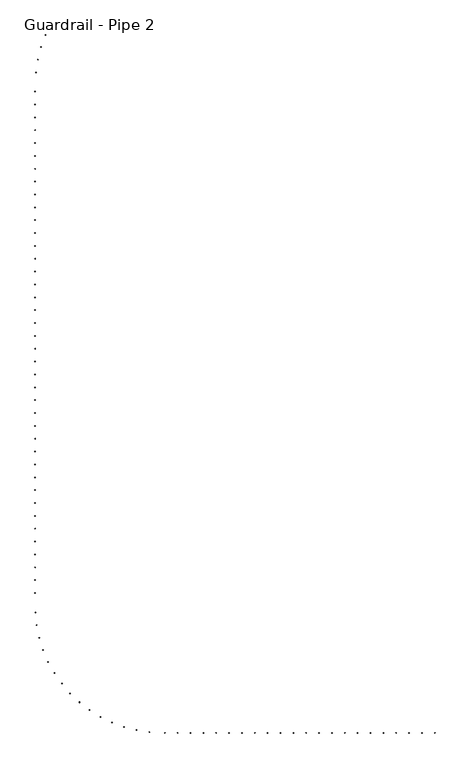
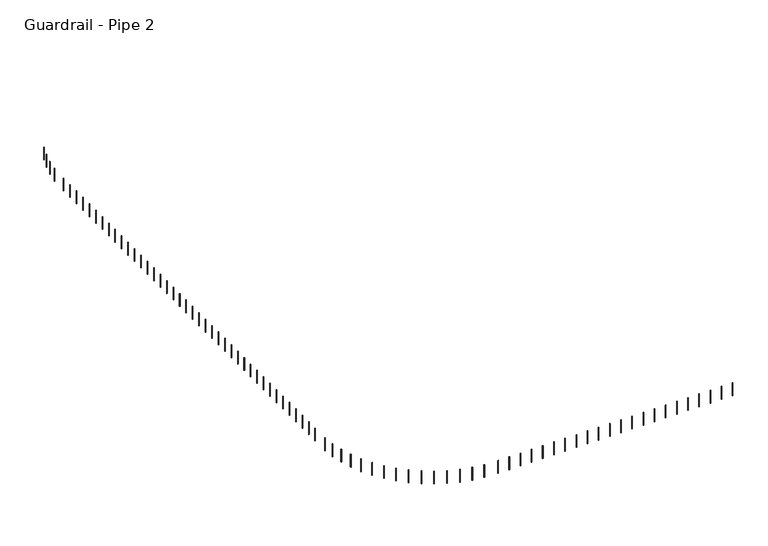
"""IFC4 building model written with IfcOpenShell, lengths in millimetres: railing geometry, Guardrail - Pipe 2."""

from ifc_helpers import new_model, si_unit, point, frame, frame_2d, origin, place, context, project, spatial, circle_curve, trimmed, segment, composite_curve, outline, extrude, source, transform, mapped, element, save


def guardrail_pipe_2_284b79c6(model_context):
    return source(origin(), model_context, "Body", "SweptSolid", [
        extrude(outline(composite_curve([segment(trimmed(circle_curve(frame_2d((198593.1901087, -486197.5437154)), 12.7), [point((198581.517825, -486192.5389384))], [point((198604.8623924, -486202.5484924))], False, "CARTESIAN"), True, "CONTINUOUS"), segment(trimmed(circle_curve(frame_2d((198593.1901087, -486197.5437154)), 12.7), [point((198604.8623924, -486202.5484924))], [point((198581.517825, -486192.5389384))], False, "CARTESIAN"), True, "CONTINUOUS")], self_intersect=False)), frame((0.0, 0.0, 4572.0), z_axis=(0.0, 0.0, 1.0), x_axis=(1.0, 0.0, 0.0)), (0.0, 0.0, 1.0), 723.9),
        extrude(outline(composite_curve([segment(trimmed(circle_curve(frame_2d((198381.7150318, -486769.0093697)), 12.7), [point((198369.5965981, -486765.2102164))], [point((198393.8334654, -486772.808523))], False, "CARTESIAN"), True, "CONTINUOUS"), segment(trimmed(circle_curve(frame_2d((198381.7150318, -486769.0093697)), 12.7), [point((198393.8334654, -486772.808523))], [point((198369.5965981, -486765.2102164))], False, "CARTESIAN"), True, "CONTINUOUS")], self_intersect=False)), frame((0.0, 0.0, 4572.0), z_axis=(0.0, 0.0, 1.0), x_axis=(1.0, 0.0, 0.0)), (0.0, 0.0, 1.0), 723.9),
        extrude(outline(composite_curve([segment(trimmed(circle_curve(frame_2d((198229.0944256, -487358.9260187)), 12.7), [point((198216.6540075, -487356.3714153))], [point((198241.5348437, -487361.4806221))], False, "CARTESIAN"), True, "CONTINUOUS"), segment(trimmed(circle_curve(frame_2d((198229.0944256, -487358.9260187)), 12.7), [point((198241.5348437, -487361.4806221))], [point((198216.6540075, -487356.3714153))], False, "CARTESIAN"), True, "CONTINUOUS")], self_intersect=False)), frame((0.0, 0.0, 4572.0), z_axis=(0.0, 0.0, 1.0), x_axis=(1.0, 0.0, 0.0)), (0.0, 0.0, 1.0), 723.9),
        extrude(outline(composite_curve([segment(trimmed(circle_curve(frame_2d((198136.8920419, -487961.2493726)), 12.7), [point((198124.2571041, -487959.9654936))], [point((198149.5269798, -487962.5332516))], False, "CARTESIAN"), True, "CONTINUOUS"), segment(trimmed(circle_curve(frame_2d((198136.8920419, -487961.2493726)), 12.7), [point((198149.5269798, -487962.5332516))], [point((198124.2571041, -487959.9654936))], False, "CARTESIAN"), True, "CONTINUOUS")], self_intersect=False)), frame((0.0, 0.0, 4572.0), z_axis=(0.0, 0.0, 1.0), x_axis=(1.0, 0.0, 0.0)), (0.0, 0.0, 1.0), 723.9),
        extrude(outline(composite_curve([segment(trimmed(circle_curve(frame_2d((198106.0525869, -488874.6080223)), 12.7), [point((198093.3525869, -488874.6080223))], [point((198118.7525869, -488874.6080223))], False, "CARTESIAN"), True, "CONTINUOUS"), segment(trimmed(circle_curve(frame_2d((198106.0525869, -488874.6080223)), 12.7), [point((198118.7525869, -488874.6080223))], [point((198093.3525869, -488874.6080223))], False, "CARTESIAN"), True, "CONTINUOUS")], self_intersect=False)), frame((0.0, 0.0, 4572.0), z_axis=(0.0, 0.0, 1.0), x_axis=(1.0, 0.0, 0.0)), (0.0, 0.0, 1.0), 723.9),
        extrude(outline(composite_curve([segment(trimmed(circle_curve(frame_2d((198106.0525869, -489484.2080223)), 12.7), [point((198093.3525869, -489484.2080223))], [point((198118.7525869, -489484.2080223))], False, "CARTESIAN"), True, "CONTINUOUS"), segment(trimmed(circle_curve(frame_2d((198106.0525869, -489484.2080223)), 12.7), [point((198118.7525869, -489484.2080223))], [point((198093.3525869, -489484.2080223))], False, "CARTESIAN"), True, "CONTINUOUS")], self_intersect=False)), frame((0.0, 0.0, 4572.0), z_axis=(0.0, 0.0, 1.0), x_axis=(1.0, 0.0, 0.0)), (0.0, 0.0, 1.0), 723.9),
        extrude(outline(composite_curve([segment(trimmed(circle_curve(frame_2d((198106.0525869, -490093.8080223)), 12.7), [point((198093.3525869, -490093.8080223))], [point((198118.7525869, -490093.8080223))], False, "CARTESIAN"), True, "CONTINUOUS"), segment(trimmed(circle_curve(frame_2d((198106.0525869, -490093.8080223)), 12.7), [point((198118.7525869, -490093.8080223))], [point((198093.3525869, -490093.8080223))], False, "CARTESIAN"), True, "CONTINUOUS")], self_intersect=False)), frame((0.0, 0.0, 4572.0), z_axis=(0.0, 0.0, 1.0), x_axis=(1.0, 0.0, 0.0)), (0.0, 0.0, 1.0), 723.9),
        extrude(outline(composite_curve([segment(trimmed(circle_curve(frame_2d((198106.0525869, -490703.4080223)), 12.7), [point((198093.3525869, -490703.4080223))], [point((198118.7525869, -490703.4080223))], False, "CARTESIAN"), True, "CONTINUOUS"), segment(trimmed(circle_curve(frame_2d((198106.0525869, -490703.4080223)), 12.7), [point((198118.7525869, -490703.4080223))], [point((198093.3525869, -490703.4080223))], False, "CARTESIAN"), True, "CONTINUOUS")], self_intersect=False)), frame((0.0, 0.0, 4572.0), z_axis=(0.0, 0.0, 1.0), x_axis=(1.0, 0.0, 0.0)), (0.0, 0.0, 1.0), 723.9),
        extrude(outline(composite_curve([segment(trimmed(circle_curve(frame_2d((198106.0525869, -491313.0080223)), 12.7), [point((198093.3525869, -491313.0080223))], [point((198118.7525869, -491313.0080223))], False, "CARTESIAN"), True, "CONTINUOUS"), segment(trimmed(circle_curve(frame_2d((198106.0525869, -491313.0080223)), 12.7), [point((198118.7525869, -491313.0080223))], [point((198093.3525869, -491313.0080223))], False, "CARTESIAN"), True, "CONTINUOUS")], self_intersect=False)), frame((0.0, 0.0, 4572.0), z_axis=(0.0, 0.0, 1.0), x_axis=(1.0, 0.0, 0.0)), (0.0, 0.0, 1.0), 723.9),
        extrude(outline(composite_curve([segment(trimmed(circle_curve(frame_2d((198106.0525869, -491922.6080223)), 12.7), [point((198093.3525869, -491922.6080223))], [point((198118.7525869, -491922.6080223))], False, "CARTESIAN"), True, "CONTINUOUS"), segment(trimmed(circle_curve(frame_2d((198106.0525869, -491922.6080223)), 12.7), [point((198118.7525869, -491922.6080223))], [point((198093.3525869, -491922.6080223))], False, "CARTESIAN"), True, "CONTINUOUS")], self_intersect=False)), frame((0.0, 0.0, 4572.0), z_axis=(0.0, 0.0, 1.0), x_axis=(1.0, 0.0, 0.0)), (0.0, 0.0, 1.0), 723.9),
        extrude(outline(composite_curve([segment(trimmed(circle_curve(frame_2d((198106.0525869, -492532.2080223)), 12.7), [point((198093.3525869, -492532.2080223))], [point((198118.7525869, -492532.2080223))], False, "CARTESIAN"), True, "CONTINUOUS"), segment(trimmed(circle_curve(frame_2d((198106.0525869, -492532.2080223)), 12.7), [point((198118.7525869, -492532.2080223))], [point((198093.3525869, -492532.2080223))], False, "CARTESIAN"), True, "CONTINUOUS")], self_intersect=False)), frame((0.0, 0.0, 4572.0), z_axis=(0.0, 0.0, 1.0), x_axis=(1.0, 0.0, 0.0)), (0.0, 0.0, 1.0), 723.9),
        extrude(outline(composite_curve([segment(trimmed(circle_curve(frame_2d((198106.0525869, -493141.8080223)), 12.7), [point((198093.3525869, -493141.8080223))], [point((198118.7525869, -493141.8080223))], False, "CARTESIAN"), True, "CONTINUOUS"), segment(trimmed(circle_curve(frame_2d((198106.0525869, -493141.8080223)), 12.7), [point((198118.7525869, -493141.8080223))], [point((198093.3525869, -493141.8080223))], False, "CARTESIAN"), True, "CONTINUOUS")], self_intersect=False)), frame((0.0, 0.0, 4572.0), z_axis=(0.0, 0.0, 1.0), x_axis=(1.0, 0.0, 0.0)), (0.0, 0.0, 1.0), 723.9),
        extrude(outline(composite_curve([segment(trimmed(circle_curve(frame_2d((198106.0525869, -493751.4080223)), 12.7), [point((198093.3525869, -493751.4080223))], [point((198118.7525869, -493751.4080223))], False, "CARTESIAN"), True, "CONTINUOUS"), segment(trimmed(circle_curve(frame_2d((198106.0525869, -493751.4080223)), 12.7), [point((198118.7525869, -493751.4080223))], [point((198093.3525869, -493751.4080223))], False, "CARTESIAN"), True, "CONTINUOUS")], self_intersect=False)), frame((0.0, 0.0, 4572.0), z_axis=(0.0, 0.0, 1.0), x_axis=(1.0, 0.0, 0.0)), (0.0, 0.0, 1.0), 723.9),
        extrude(outline(composite_curve([segment(trimmed(circle_curve(frame_2d((198106.0525869, -494361.0080223)), 12.7), [point((198093.3525869, -494361.0080223))], [point((198118.7525869, -494361.0080223))], False, "CARTESIAN"), True, "CONTINUOUS"), segment(trimmed(circle_curve(frame_2d((198106.0525869, -494361.0080223)), 12.7), [point((198118.7525869, -494361.0080223))], [point((198093.3525869, -494361.0080223))], False, "CARTESIAN"), True, "CONTINUOUS")], self_intersect=False)), frame((0.0, 0.0, 4572.0), z_axis=(0.0, 0.0, 1.0), x_axis=(1.0, 0.0, 0.0)), (0.0, 0.0, 1.0), 723.9),
        extrude(outline(composite_curve([segment(trimmed(circle_curve(frame_2d((198106.0525869, -494970.6080223)), 12.7), [point((198093.3525869, -494970.6080223))], [point((198118.7525869, -494970.6080223))], False, "CARTESIAN"), True, "CONTINUOUS"), segment(trimmed(circle_curve(frame_2d((198106.0525869, -494970.6080223)), 12.7), [point((198118.7525869, -494970.6080223))], [point((198093.3525869, -494970.6080223))], False, "CARTESIAN"), True, "CONTINUOUS")], self_intersect=False)), frame((0.0, 0.0, 4572.0), z_axis=(0.0, 0.0, 1.0), x_axis=(1.0, 0.0, 0.0)), (0.0, 0.0, 1.0), 723.9),
        extrude(outline(composite_curve([segment(trimmed(circle_curve(frame_2d((198106.0525869, -495580.2080223)), 12.7), [point((198093.3525869, -495580.2080223))], [point((198118.7525869, -495580.2080223))], False, "CARTESIAN"), True, "CONTINUOUS"), segment(trimmed(circle_curve(frame_2d((198106.0525869, -495580.2080223)), 12.7), [point((198118.7525869, -495580.2080223))], [point((198093.3525869, -495580.2080223))], False, "CARTESIAN"), True, "CONTINUOUS")], self_intersect=False)), frame((0.0, 0.0, 4572.0), z_axis=(0.0, 0.0, 1.0), x_axis=(1.0, 0.0, 0.0)), (0.0, 0.0, 1.0), 723.9),
        extrude(outline(composite_curve([segment(trimmed(circle_curve(frame_2d((198106.0525869, -496189.8080223)), 12.7), [point((198093.3525869, -496189.8080223))], [point((198118.7525869, -496189.8080223))], False, "CARTESIAN"), True, "CONTINUOUS"), segment(trimmed(circle_curve(frame_2d((198106.0525869, -496189.8080223)), 12.7), [point((198118.7525869, -496189.8080223))], [point((198093.3525869, -496189.8080223))], False, "CARTESIAN"), True, "CONTINUOUS")], self_intersect=False)), frame((0.0, 0.0, 4572.0), z_axis=(0.0, 0.0, 1.0), x_axis=(1.0, 0.0, 0.0)), (0.0, 0.0, 1.0), 723.9),
        extrude(outline(composite_curve([segment(trimmed(circle_curve(frame_2d((198106.0525869, -496799.4080223)), 12.7), [point((198093.3525869, -496799.4080223))], [point((198118.7525869, -496799.4080223))], False, "CARTESIAN"), True, "CONTINUOUS"), segment(trimmed(circle_curve(frame_2d((198106.0525869, -496799.4080223)), 12.7), [point((198118.7525869, -496799.4080223))], [point((198093.3525869, -496799.4080223))], False, "CARTESIAN"), True, "CONTINUOUS")], self_intersect=False)), frame((0.0, 0.0, 4572.0), z_axis=(0.0, 0.0, 1.0), x_axis=(1.0, 0.0, 0.0)), (0.0, 0.0, 1.0), 723.9),
        extrude(outline(composite_curve([segment(trimmed(circle_curve(frame_2d((198106.0525869, -497409.0080223)), 12.7), [point((198093.3525869, -497409.0080223))], [point((198118.7525869, -497409.0080223))], False, "CARTESIAN"), True, "CONTINUOUS"), segment(trimmed(circle_curve(frame_2d((198106.0525869, -497409.0080223)), 12.7), [point((198118.7525869, -497409.0080223))], [point((198093.3525869, -497409.0080223))], False, "CARTESIAN"), True, "CONTINUOUS")], self_intersect=False)), frame((0.0, 0.0, 4572.0), z_axis=(0.0, 0.0, 1.0), x_axis=(1.0, 0.0, 0.0)), (0.0, 0.0, 1.0), 723.9),
        extrude(outline(composite_curve([segment(trimmed(circle_curve(frame_2d((198106.0525869, -498018.6080223)), 12.7), [point((198093.3525869, -498018.6080223))], [point((198118.7525869, -498018.6080223))], False, "CARTESIAN"), True, "CONTINUOUS"), segment(trimmed(circle_curve(frame_2d((198106.0525869, -498018.6080223)), 12.7), [point((198118.7525869, -498018.6080223))], [point((198093.3525869, -498018.6080223))], False, "CARTESIAN"), True, "CONTINUOUS")], self_intersect=False)), frame((0.0, 0.0, 4572.0), z_axis=(0.0, 0.0, 1.0), x_axis=(1.0, 0.0, 0.0)), (0.0, 0.0, 1.0), 723.9),
        extrude(outline(composite_curve([segment(trimmed(circle_curve(frame_2d((198106.0525869, -498628.2080223)), 12.7), [point((198093.3525869, -498628.2080223))], [point((198118.7525869, -498628.2080223))], False, "CARTESIAN"), True, "CONTINUOUS"), segment(trimmed(circle_curve(frame_2d((198106.0525869, -498628.2080223)), 12.7), [point((198118.7525869, -498628.2080223))], [point((198093.3525869, -498628.2080223))], False, "CARTESIAN"), True, "CONTINUOUS")], self_intersect=False)), frame((0.0, 0.0, 4572.0), z_axis=(0.0, 0.0, 1.0), x_axis=(1.0, 0.0, 0.0)), (0.0, 0.0, 1.0), 723.9),
        extrude(outline(composite_curve([segment(trimmed(circle_curve(frame_2d((198106.0525869, -499237.8080223)), 12.7), [point((198093.3525869, -499237.8080223))], [point((198118.7525869, -499237.8080223))], False, "CARTESIAN"), True, "CONTINUOUS"), segment(trimmed(circle_curve(frame_2d((198106.0525869, -499237.8080223)), 12.7), [point((198118.7525869, -499237.8080223))], [point((198093.3525869, -499237.8080223))], False, "CARTESIAN"), True, "CONTINUOUS")], self_intersect=False)), frame((0.0, 0.0, 4572.0), z_axis=(0.0, 0.0, 1.0), x_axis=(1.0, 0.0, 0.0)), (0.0, 0.0, 1.0), 723.9),
        extrude(outline(composite_curve([segment(trimmed(circle_curve(frame_2d((198106.0525869, -499847.4080223)), 12.7), [point((198093.3525869, -499847.4080223))], [point((198118.7525869, -499847.4080223))], False, "CARTESIAN"), True, "CONTINUOUS"), segment(trimmed(circle_curve(frame_2d((198106.0525869, -499847.4080223)), 12.7), [point((198118.7525869, -499847.4080223))], [point((198093.3525869, -499847.4080223))], False, "CARTESIAN"), True, "CONTINUOUS")], self_intersect=False)), frame((0.0, 0.0, 4572.0), z_axis=(0.0, 0.0, 1.0), x_axis=(1.0, 0.0, 0.0)), (0.0, 0.0, 1.0), 723.9),
        extrude(outline(composite_curve([segment(trimmed(circle_curve(frame_2d((198106.0525869, -500457.0080223)), 12.7), [point((198093.3525869, -500457.0080223))], [point((198118.7525869, -500457.0080223))], False, "CARTESIAN"), True, "CONTINUOUS"), segment(trimmed(circle_curve(frame_2d((198106.0525869, -500457.0080223)), 12.7), [point((198118.7525869, -500457.0080223))], [point((198093.3525869, -500457.0080223))], False, "CARTESIAN"), True, "CONTINUOUS")], self_intersect=False)), frame((0.0, 0.0, 4572.0), z_axis=(0.0, 0.0, 1.0), x_axis=(1.0, 0.0, 0.0)), (0.0, 0.0, 1.0), 723.9),
        extrude(outline(composite_curve([segment(trimmed(circle_curve(frame_2d((198106.0525869, -501066.6080223)), 12.7), [point((198093.3525869, -501066.6080223))], [point((198118.7525869, -501066.6080223))], False, "CARTESIAN"), True, "CONTINUOUS"), segment(trimmed(circle_curve(frame_2d((198106.0525869, -501066.6080223)), 12.7), [point((198118.7525869, -501066.6080223))], [point((198093.3525869, -501066.6080223))], False, "CARTESIAN"), True, "CONTINUOUS")], self_intersect=False)), frame((0.0, 0.0, 4572.0), z_axis=(0.0, 0.0, 1.0), x_axis=(1.0, 0.0, 0.0)), (0.0, 0.0, 1.0), 723.9),
        extrude(outline(composite_curve([segment(trimmed(circle_curve(frame_2d((198106.0525869, -501676.2080223)), 12.7), [point((198093.3525869, -501676.2080223))], [point((198118.7525869, -501676.2080223))], False, "CARTESIAN"), True, "CONTINUOUS"), segment(trimmed(circle_curve(frame_2d((198106.0525869, -501676.2080223)), 12.7), [point((198118.7525869, -501676.2080223))], [point((198093.3525869, -501676.2080223))], False, "CARTESIAN"), True, "CONTINUOUS")], self_intersect=False)), frame((0.0, 0.0, 4572.0), z_axis=(0.0, 0.0, 1.0), x_axis=(1.0, 0.0, 0.0)), (0.0, 0.0, 1.0), 723.9),
        extrude(outline(composite_curve([segment(trimmed(circle_curve(frame_2d((198106.0525869, -502285.8080223)), 12.7), [point((198093.3525869, -502285.8080223))], [point((198118.7525869, -502285.8080223))], False, "CARTESIAN"), True, "CONTINUOUS"), segment(trimmed(circle_curve(frame_2d((198106.0525869, -502285.8080223)), 12.7), [point((198118.7525869, -502285.8080223))], [point((198093.3525869, -502285.8080223))], False, "CARTESIAN"), True, "CONTINUOUS")], self_intersect=False)), frame((0.0, 0.0, 4572.0), z_axis=(0.0, 0.0, 1.0), x_axis=(1.0, 0.0, 0.0)), (0.0, 0.0, 1.0), 723.9),
        extrude(outline(composite_curve([segment(trimmed(circle_curve(frame_2d((198106.0525869, -502895.4080223)), 12.7), [point((198093.3525869, -502895.4080223))], [point((198118.7525869, -502895.4080223))], False, "CARTESIAN"), True, "CONTINUOUS"), segment(trimmed(circle_curve(frame_2d((198106.0525869, -502895.4080223)), 12.7), [point((198118.7525869, -502895.4080223))], [point((198093.3525869, -502895.4080223))], False, "CARTESIAN"), True, "CONTINUOUS")], self_intersect=False)), frame((0.0, 0.0, 4572.0), z_axis=(0.0, 0.0, 1.0), x_axis=(1.0, 0.0, 0.0)), (0.0, 0.0, 1.0), 723.9),
        extrude(outline(composite_curve([segment(trimmed(circle_curve(frame_2d((198106.0525869, -503505.0080223)), 12.7), [point((198093.3525869, -503505.0080223))], [point((198118.7525869, -503505.0080223))], False, "CARTESIAN"), True, "CONTINUOUS"), segment(trimmed(circle_curve(frame_2d((198106.0525869, -503505.0080223)), 12.7), [point((198118.7525869, -503505.0080223))], [point((198093.3525869, -503505.0080223))], False, "CARTESIAN"), True, "CONTINUOUS")], self_intersect=False)), frame((0.0, 0.0, 4572.0), z_axis=(0.0, 0.0, 1.0), x_axis=(1.0, 0.0, 0.0)), (0.0, 0.0, 1.0), 723.9),
        extrude(outline(composite_curve([segment(trimmed(circle_curve(frame_2d((198106.0525869, -504114.6080223)), 12.7), [point((198093.3525869, -504114.6080223))], [point((198118.7525869, -504114.6080223))], False, "CARTESIAN"), True, "CONTINUOUS"), segment(trimmed(circle_curve(frame_2d((198106.0525869, -504114.6080223)), 12.7), [point((198118.7525869, -504114.6080223))], [point((198093.3525869, -504114.6080223))], False, "CARTESIAN"), True, "CONTINUOUS")], self_intersect=False)), frame((0.0, 0.0, 4572.0), z_axis=(0.0, 0.0, 1.0), x_axis=(1.0, 0.0, 0.0)), (0.0, 0.0, 1.0), 723.9),
        extrude(outline(composite_curve([segment(trimmed(circle_curve(frame_2d((198106.0525869, -504724.2080223)), 12.7), [point((198093.3525869, -504724.2080223))], [point((198118.7525869, -504724.2080223))], False, "CARTESIAN"), True, "CONTINUOUS"), segment(trimmed(circle_curve(frame_2d((198106.0525869, -504724.2080223)), 12.7), [point((198118.7525869, -504724.2080223))], [point((198093.3525869, -504724.2080223))], False, "CARTESIAN"), True, "CONTINUOUS")], self_intersect=False)), frame((0.0, 0.0, 4572.0), z_axis=(0.0, 0.0, 1.0), x_axis=(1.0, 0.0, 0.0)), (0.0, 0.0, 1.0), 723.9),
        extrude(outline(composite_curve([segment(trimmed(circle_curve(frame_2d((198106.0525869, -505333.8080223)), 12.7), [point((198093.3525869, -505333.8080223))], [point((198118.7525869, -505333.8080223))], False, "CARTESIAN"), True, "CONTINUOUS"), segment(trimmed(circle_curve(frame_2d((198106.0525869, -505333.8080223)), 12.7), [point((198118.7525869, -505333.8080223))], [point((198093.3525869, -505333.8080223))], False, "CARTESIAN"), True, "CONTINUOUS")], self_intersect=False)), frame((0.0, 0.0, 4572.0), z_axis=(0.0, 0.0, 1.0), x_axis=(1.0, 0.0, 0.0)), (0.0, 0.0, 1.0), 723.9),
        extrude(outline(composite_curve([segment(trimmed(circle_curve(frame_2d((198106.0525869, -505943.4080223)), 12.7), [point((198093.3525869, -505943.4080223))], [point((198118.7525869, -505943.4080223))], False, "CARTESIAN"), True, "CONTINUOUS"), segment(trimmed(circle_curve(frame_2d((198106.0525869, -505943.4080223)), 12.7), [point((198118.7525869, -505943.4080223))], [point((198093.3525869, -505943.4080223))], False, "CARTESIAN"), True, "CONTINUOUS")], self_intersect=False)), frame((0.0, 0.0, 4572.0), z_axis=(0.0, 0.0, 1.0), x_axis=(1.0, 0.0, 0.0)), (0.0, 0.0, 1.0), 723.9),
        extrude(outline(composite_curve([segment(trimmed(circle_curve(frame_2d((198106.0525869, -506553.0080223)), 12.7), [point((198093.3525869, -506553.0080223))], [point((198118.7525869, -506553.0080223))], False, "CARTESIAN"), True, "CONTINUOUS"), segment(trimmed(circle_curve(frame_2d((198106.0525869, -506553.0080223)), 12.7), [point((198118.7525869, -506553.0080223))], [point((198093.3525869, -506553.0080223))], False, "CARTESIAN"), True, "CONTINUOUS")], self_intersect=False)), frame((0.0, 0.0, 4572.0), z_axis=(0.0, 0.0, 1.0), x_axis=(1.0, 0.0, 0.0)), (0.0, 0.0, 1.0), 723.9),
        extrude(outline(composite_curve([segment(trimmed(circle_curve(frame_2d((198106.0525869, -507162.6080223)), 12.7), [point((198093.3525869, -507162.6080223))], [point((198118.7525869, -507162.6080223))], False, "CARTESIAN"), True, "CONTINUOUS"), segment(trimmed(circle_curve(frame_2d((198106.0525869, -507162.6080223)), 12.7), [point((198118.7525869, -507162.6080223))], [point((198093.3525869, -507162.6080223))], False, "CARTESIAN"), True, "CONTINUOUS")], self_intersect=False)), frame((0.0, 0.0, 4572.0), z_axis=(0.0, 0.0, 1.0), x_axis=(1.0, 0.0, 0.0)), (0.0, 0.0, 1.0), 723.9),
        extrude(outline(composite_curve([segment(trimmed(circle_curve(frame_2d((198106.0525869, -507772.2080223)), 12.7), [point((198093.3525869, -507772.2080223))], [point((198118.7525869, -507772.2080223))], False, "CARTESIAN"), True, "CONTINUOUS"), segment(trimmed(circle_curve(frame_2d((198106.0525869, -507772.2080223)), 12.7), [point((198118.7525869, -507772.2080223))], [point((198093.3525869, -507772.2080223))], False, "CARTESIAN"), True, "CONTINUOUS")], self_intersect=False)), frame((0.0, 0.0, 4572.0), z_axis=(0.0, 0.0, 1.0), x_axis=(1.0, 0.0, 0.0)), (0.0, 0.0, 1.0), 723.9),
        extrude(outline(composite_curve([segment(trimmed(circle_curve(frame_2d((198106.0525869, -508381.8080223)), 12.7), [point((198093.3525869, -508381.8080223))], [point((198118.7525869, -508381.8080223))], False, "CARTESIAN"), True, "CONTINUOUS"), segment(trimmed(circle_curve(frame_2d((198106.0525869, -508381.8080223)), 12.7), [point((198118.7525869, -508381.8080223))], [point((198093.3525869, -508381.8080223))], False, "CARTESIAN"), True, "CONTINUOUS")], self_intersect=False)), frame((0.0, 0.0, 4572.0), z_axis=(0.0, 0.0, 1.0), x_axis=(1.0, 0.0, 0.0)), (0.0, 0.0, 1.0), 723.9),
        extrude(outline(composite_curve([segment(trimmed(circle_curve(frame_2d((198106.0525869, -508991.4080223)), 12.7), [point((198093.3525869, -508991.4080223))], [point((198118.7525869, -508991.4080223))], False, "CARTESIAN"), True, "CONTINUOUS"), segment(trimmed(circle_curve(frame_2d((198106.0525869, -508991.4080223)), 12.7), [point((198118.7525869, -508991.4080223))], [point((198093.3525869, -508991.4080223))], False, "CARTESIAN"), True, "CONTINUOUS")], self_intersect=False)), frame((0.0, 0.0, 4572.0), z_axis=(0.0, 0.0, 1.0), x_axis=(1.0, 0.0, 0.0)), (0.0, 0.0, 1.0), 723.9),
        extrude(outline(composite_curve([segment(trimmed(circle_curve(frame_2d((198106.0525869, -509601.0080223)), 12.7), [point((198093.3525869, -509601.0080223))], [point((198118.7525869, -509601.0080223))], False, "CARTESIAN"), True, "CONTINUOUS"), segment(trimmed(circle_curve(frame_2d((198106.0525869, -509601.0080223)), 12.7), [point((198118.7525869, -509601.0080223))], [point((198093.3525869, -509601.0080223))], False, "CARTESIAN"), True, "CONTINUOUS")], self_intersect=False)), frame((0.0, 0.0, 4572.0), z_axis=(0.0, 0.0, 1.0), x_axis=(1.0, 0.0, 0.0)), (0.0, 0.0, 1.0), 723.9),
        extrude(outline(composite_curve([segment(trimmed(circle_curve(frame_2d((198106.0525869, -510210.6080223)), 12.7), [point((198093.3525869, -510210.6080223))], [point((198118.7525869, -510210.6080223))], False, "CARTESIAN"), True, "CONTINUOUS"), segment(trimmed(circle_curve(frame_2d((198106.0525869, -510210.6080223)), 12.7), [point((198118.7525869, -510210.6080223))], [point((198093.3525869, -510210.6080223))], False, "CARTESIAN"), True, "CONTINUOUS")], self_intersect=False)), frame((0.0, 0.0, 4572.0), z_axis=(0.0, 0.0, 1.0), x_axis=(1.0, 0.0, 0.0)), (0.0, 0.0, 1.0), 723.9),
        extrude(outline(composite_curve([segment(trimmed(circle_curve(frame_2d((198106.0525869, -510820.2080223)), 12.7), [point((198093.3525869, -510820.2080223))], [point((198118.7525869, -510820.2080223))], False, "CARTESIAN"), True, "CONTINUOUS"), segment(trimmed(circle_curve(frame_2d((198106.0525869, -510820.2080223)), 12.7), [point((198118.7525869, -510820.2080223))], [point((198093.3525869, -510820.2080223))], False, "CARTESIAN"), True, "CONTINUOUS")], self_intersect=False)), frame((0.0, 0.0, 4572.0), z_axis=(0.0, 0.0, 1.0), x_axis=(1.0, 0.0, 0.0)), (0.0, 0.0, 1.0), 723.9),
        extrude(outline(composite_curve([segment(trimmed(circle_curve(frame_2d((198106.0525869, -511429.8080223)), 12.7), [point((198093.3525869, -511429.8080223))], [point((198118.7525869, -511429.8080223))], False, "CARTESIAN"), True, "CONTINUOUS"), segment(trimmed(circle_curve(frame_2d((198106.0525869, -511429.8080223)), 12.7), [point((198118.7525869, -511429.8080223))], [point((198093.3525869, -511429.8080223))], False, "CARTESIAN"), True, "CONTINUOUS")], self_intersect=False)), frame((0.0, 0.0, 4572.0), z_axis=(0.0, 0.0, 1.0), x_axis=(1.0, 0.0, 0.0)), (0.0, 0.0, 1.0), 723.9),
        extrude(outline(composite_curve([segment(trimmed(circle_curve(frame_2d((198106.0525869, -512039.4080223)), 12.7), [point((198093.3525869, -512039.4080223))], [point((198118.7525869, -512039.4080223))], False, "CARTESIAN"), True, "CONTINUOUS"), segment(trimmed(circle_curve(frame_2d((198106.0525869, -512039.4080223)), 12.7), [point((198118.7525869, -512039.4080223))], [point((198093.3525869, -512039.4080223))], False, "CARTESIAN"), True, "CONTINUOUS")], self_intersect=False)), frame((0.0, 0.0, 4572.0), z_axis=(0.0, 0.0, 1.0), x_axis=(1.0, 0.0, 0.0)), (0.0, 0.0, 1.0), 723.9),
        extrude(outline(composite_curve([segment(trimmed(circle_curve(frame_2d((198106.0525869, -512649.0080223)), 12.7), [point((198093.3525869, -512649.0080223))], [point((198118.7525869, -512649.0080223))], False, "CARTESIAN"), True, "CONTINUOUS"), segment(trimmed(circle_curve(frame_2d((198106.0525869, -512649.0080223)), 12.7), [point((198118.7525869, -512649.0080223))], [point((198093.3525869, -512649.0080223))], False, "CARTESIAN"), True, "CONTINUOUS")], self_intersect=False)), frame((0.0, 0.0, 4572.0), z_axis=(0.0, 0.0, 1.0), x_axis=(1.0, 0.0, 0.0)), (0.0, 0.0, 1.0), 723.9),
        extrude(outline(composite_curve([segment(trimmed(circle_curve(frame_2d((198114.129866, -513570.348246)), 12.7), [point((198101.4469067, -513571.0059258))], [point((198126.8128254, -513569.6905662))], False, "CARTESIAN"), True, "CONTINUOUS"), segment(trimmed(circle_curve(frame_2d((198114.129866, -513570.348246)), 12.7), [point((198126.8128254, -513569.6905662))], [point((198101.4469067, -513571.0059258))], False, "CARTESIAN"), True, "CONTINUOUS")], self_intersect=False)), frame((0.0, 0.0, 4572.0), z_axis=(0.0, 0.0, 1.0), x_axis=(1.0, 0.0, 0.0)), (0.0, 0.0, 1.0), 723.9),
        extrude(outline(composite_curve([segment(trimmed(circle_curve(frame_2d((198176.4426442, -514176.4932946)), 12.7), [point((198163.8911464, -514178.4297614))], [point((198188.9941419, -514174.5568278))], False, "CARTESIAN"), True, "CONTINUOUS"), segment(trimmed(circle_curve(frame_2d((198176.4426442, -514176.4932946)), 12.7), [point((198188.9941419, -514174.5568278))], [point((198163.8911464, -514178.4297614))], False, "CARTESIAN"), True, "CONTINUOUS")], self_intersect=False)), frame((0.0, 0.0, 4572.0), z_axis=(0.0, 0.0, 1.0), x_axis=(1.0, 0.0, 0.0)), (0.0, 0.0, 1.0), 723.9),
        extrude(outline(composite_curve([segment(trimmed(circle_curve(frame_2d((198299.7131153, -514773.2336847)), 12.7), [point((198287.4216818, -514776.4290975))], [point((198312.0045488, -514770.0382719))], False, "CARTESIAN"), True, "CONTINUOUS"), segment(trimmed(circle_curve(frame_2d((198299.7131153, -514773.2336847)), 12.7), [point((198312.0045488, -514770.0382719))], [point((198287.4216818, -514776.4290975))], False, "CARTESIAN"), True, "CONTINUOUS")], self_intersect=False)), frame((0.0, 0.0, 4572.0), z_axis=(0.0, 0.0, 1.0), x_axis=(1.0, 0.0, 0.0)), (0.0, 0.0, 1.0), 723.9),
        extrude(outline(composite_curve([segment(trimmed(circle_curve(frame_2d((198482.6782493, -515354.4552103)), 12.7), [point((198470.7728183, -515358.8768289))], [point((198494.5836804, -515350.0335918))], False, "CARTESIAN"), True, "CONTINUOUS"), segment(trimmed(circle_curve(frame_2d((198482.6782493, -515354.4552103)), 12.7), [point((198494.5836804, -515350.0335918))], [point((198470.7728183, -515358.8768289))], False, "CARTESIAN"), True, "CONTINUOUS")], self_intersect=False)), frame((0.0, 0.0, 4572.0), z_axis=(0.0, 0.0, 1.0), x_axis=(1.0, 0.0, 0.0)), (0.0, 0.0, 1.0), 723.9),
        extrude(outline(composite_curve([segment(trimmed(circle_curve(frame_2d((198723.4633844, -515914.2026721)), 12.7), [point((198712.0659388, -515919.8051925))], [point((198734.8608299, -515908.6001517))], False, "CARTESIAN"), True, "CONTINUOUS"), segment(trimmed(circle_curve(frame_2d((198723.4633844, -515914.2026721)), 12.7), [point((198734.8608299, -515908.6001517))], [point((198712.0659388, -515919.8051925))], False, "CARTESIAN"), True, "CONTINUOUS")], self_intersect=False)), frame((0.0, 0.0, 4572.0), z_axis=(0.0, 0.0, 1.0), x_axis=(1.0, 0.0, 0.0)), (0.0, 0.0, 1.0), 723.9),
        extrude(outline(composite_curve([segment(trimmed(circle_curve(frame_2d((199019.6014343, -516446.7408938)), 12.7), [point((199008.8287525, -516453.4669125))], [point((199030.3741161, -516440.0148751))], False, "CARTESIAN"), True, "CONTINUOUS"), segment(trimmed(circle_curve(frame_2d((199019.6014343, -516446.7408938)), 12.7), [point((199030.3741161, -516440.0148751))], [point((199008.8287525, -516453.4669125))], False, "CARTESIAN"), True, "CONTINUOUS")], self_intersect=False)), frame((0.0, 0.0, 4572.0), z_axis=(0.0, 0.0, 1.0), x_axis=(1.0, 0.0, 0.0)), (0.0, 0.0, 1.0), 723.9),
        extrude(outline(composite_curve([segment(trimmed(circle_curve(frame_2d((199368.0581668, -516946.6134854)), 12.7), [point((199358.0206258, -516954.3940876))], [point((199378.0957077, -516938.8328831))], False, "CARTESIAN"), True, "CONTINUOUS"), segment(trimmed(circle_curve(frame_2d((199368.0581668, -516946.6134854)), 12.7), [point((199378.0957077, -516938.8328831))], [point((199358.0206258, -516954.3940876))], False, "CARTESIAN"), True, "CONTINUOUS")], self_intersect=False)), frame((0.0, 0.0, 4572.0), z_axis=(0.0, 0.0, 1.0), x_axis=(1.0, 0.0, 0.0)), (0.0, 0.0, 1.0), 723.9),
        extrude(outline(composite_curve([segment(trimmed(circle_curve(frame_2d((199765.2632918, -517408.698749)), 12.7), [point((199756.0637363, -517417.4542146))], [point((199774.4628473, -517399.9432833))], False, "CARTESIAN"), True, "CONTINUOUS"), segment(trimmed(circle_curve(frame_2d((199765.2632918, -517408.698749)), 12.7), [point((199774.4628473, -517399.9432833))], [point((199756.0637363, -517417.4542146))], False, "CARTESIAN"), True, "CONTINUOUS")], self_intersect=False)), frame((0.0, 0.0, 4572.0), z_axis=(0.0, 0.0, 1.0), x_axis=(1.0, 0.0, 0.0)), (0.0, 0.0, 1.0), 723.9),
        extrude(outline(composite_curve([segment(trimmed(circle_curve(frame_2d((200207.1470432, -517828.262156)), 12.7), [point((200198.8797319, -517837.9027765))], [point((200215.4143544, -517818.6215354))], False, "CARTESIAN"), True, "CONTINUOUS"), segment(trimmed(circle_curve(frame_2d((200207.1470432, -517828.262156)), 12.7), [point((200215.4143544, -517818.6215354))], [point((200198.8797319, -517837.9027765))], False, "CARTESIAN"), True, "CONTINUOUS")], self_intersect=False)), frame((0.0, 0.0, 4572.0), z_axis=(0.0, 0.0, 1.0), x_axis=(1.0, 0.0, 0.0)), (0.0, 0.0, 1.0), 723.9),
        extrude(outline(composite_curve([segment(trimmed(circle_curve(frame_2d((200689.181877, -518201.004857)), 12.7), [point((200681.9315168, -518211.4318545))], [point((200696.4322371, -518190.5778595))], False, "CARTESIAN"), True, "CONTINUOUS"), segment(trimmed(circle_curve(frame_2d((200689.181877, -518201.004857)), 12.7), [point((200696.4322371, -518190.5778595))], [point((200681.9315168, -518211.4318545))], False, "CARTESIAN"), True, "CONTINUOUS")], self_intersect=False)), frame((0.0, 0.0, 4572.0), z_axis=(0.0, 0.0, 1.0), x_axis=(1.0, 0.0, 0.0)), (0.0, 0.0, 1.0), 723.9),
        extrude(outline(composite_curve([segment(trimmed(circle_curve(frame_2d((201206.4288613, -518523.1077279)), 12.7), [point((201200.2697395, -518534.2142674))], [point((201212.587983, -518512.0011884))], False, "CARTESIAN"), True, "CONTINUOUS"), segment(trimmed(circle_curve(frame_2d((201206.4288613, -518523.1077279)), 12.7), [point((201212.587983, -518512.0011884))], [point((201200.2697395, -518534.2142674))], False, "CARTESIAN"), True, "CONTINUOUS")], self_intersect=False)), frame((0.0, 0.0, 4572.0), z_axis=(0.0, 0.0, 1.0), x_axis=(1.0, 0.0, 0.0)), (0.0, 0.0, 1.0), 723.9),
        extrude(outline(composite_curve([segment(trimmed(circle_curve(frame_2d((201753.58828, -518791.2705006)), 12.7), [point((201748.583503, -518802.9427843))], [point((201758.5930571, -518779.5982169))], False, "CARTESIAN"), True, "CONTINUOUS"), segment(trimmed(circle_curve(frame_2d((201753.58828, -518791.2705006)), 12.7), [point((201758.5930571, -518779.5982169))], [point((201748.583503, -518802.9427843))], False, "CARTESIAN"), True, "CONTINUOUS")], self_intersect=False)), frame((0.0, 0.0, 4572.0), z_axis=(0.0, 0.0, 1.0), x_axis=(1.0, 0.0, 0.0)), (0.0, 0.0, 1.0), 723.9),
        extrude(outline(composite_curve([segment(trimmed(circle_curve(frame_2d((202325.0539343, -519002.7455775)), 12.7), [point((202321.254781, -519014.8640112))], [point((202328.8530876, -518990.6271438))], False, "CARTESIAN"), True, "CONTINUOUS"), segment(trimmed(circle_curve(frame_2d((202325.0539343, -519002.7455775)), 12.7), [point((202328.8530876, -518990.6271438))], [point((202321.254781, -519014.8640112))], False, "CARTESIAN"), True, "CONTINUOUS")], self_intersect=False)), frame((0.0, 0.0, 4572.0), z_axis=(0.0, 0.0, 1.0), x_axis=(1.0, 0.0, 0.0)), (0.0, 0.0, 1.0), 723.9),
        extrude(outline(composite_curve([segment(trimmed(circle_curve(frame_2d((202914.9705833, -519155.3661837)), 12.7), [point((202912.4159799, -519167.8066017))], [point((202917.5251867, -519142.9257656))], False, "CARTESIAN"), True, "CONTINUOUS"), segment(trimmed(circle_curve(frame_2d((202914.9705833, -519155.3661837)), 12.7), [point((202917.5251867, -519142.9257656))], [point((202912.4159799, -519167.8066017))], False, "CARTESIAN"), True, "CONTINUOUS")], self_intersect=False)), frame((0.0, 0.0, 4572.0), z_axis=(0.0, 0.0, 1.0), x_axis=(1.0, 0.0, 0.0)), (0.0, 0.0, 1.0), 723.9),
        extrude(outline(composite_curve([segment(trimmed(circle_curve(frame_2d((203517.2939372, -519247.5685674)), 12.7), [point((203516.0100582, -519260.2035052))], [point((203518.5778162, -519234.9336295))], False, "CARTESIAN"), True, "CONTINUOUS"), segment(trimmed(circle_curve(frame_2d((203517.2939372, -519247.5685674)), 12.7), [point((203518.5778162, -519234.9336295))], [point((203516.0100582, -519260.2035052))], False, "CARTESIAN"), True, "CONTINUOUS")], self_intersect=False)), frame((0.0, 0.0, 4572.0), z_axis=(0.0, 0.0, 1.0), x_axis=(1.0, 0.0, 0.0)), (0.0, 0.0, 1.0), 723.9),
        extrude(outline(composite_curve([segment(trimmed(circle_curve(frame_2d((204252.8525869, -519278.4080223)), 12.7), [point((204252.8525869, -519291.1080223))], [point((204252.8525869, -519265.7080223))], False, "CARTESIAN"), True, "CONTINUOUS"), segment(trimmed(circle_curve(frame_2d((204252.8525869, -519278.4080223)), 12.7), [point((204252.8525869, -519265.7080223))], [point((204252.8525869, -519291.1080223))], False, "CARTESIAN"), True, "CONTINUOUS")], self_intersect=False)), frame((0.0, 0.0, 4572.0), z_axis=(0.0, 0.0, 1.0), x_axis=(1.0, 0.0, 0.0)), (0.0, 0.0, 1.0), 723.9),
        extrude(outline(composite_curve([segment(trimmed(circle_curve(frame_2d((204862.4525869, -519278.4080223)), 12.7), [point((204862.4525869, -519291.1080223))], [point((204862.4525869, -519265.7080223))], False, "CARTESIAN"), True, "CONTINUOUS"), segment(trimmed(circle_curve(frame_2d((204862.4525869, -519278.4080223)), 12.7), [point((204862.4525869, -519265.7080223))], [point((204862.4525869, -519291.1080223))], False, "CARTESIAN"), True, "CONTINUOUS")], self_intersect=False)), frame((0.0, 0.0, 4572.0), z_axis=(0.0, 0.0, 1.0), x_axis=(1.0, 0.0, 0.0)), (0.0, 0.0, 1.0), 723.9),
        extrude(outline(composite_curve([segment(trimmed(circle_curve(frame_2d((205472.0525869, -519278.4080223)), 12.7), [point((205472.0525869, -519291.1080223))], [point((205472.0525869, -519265.7080223))], False, "CARTESIAN"), True, "CONTINUOUS"), segment(trimmed(circle_curve(frame_2d((205472.0525869, -519278.4080223)), 12.7), [point((205472.0525869, -519265.7080223))], [point((205472.0525869, -519291.1080223))], False, "CARTESIAN"), True, "CONTINUOUS")], self_intersect=False)), frame((0.0, 0.0, 4572.0), z_axis=(0.0, 0.0, 1.0), x_axis=(1.0, 0.0, 0.0)), (0.0, 0.0, 1.0), 723.9),
        extrude(outline(composite_curve([segment(trimmed(circle_curve(frame_2d((206081.6525869, -519278.4080223)), 12.7), [point((206081.6525869, -519291.1080223))], [point((206081.6525869, -519265.7080223))], False, "CARTESIAN"), True, "CONTINUOUS"), segment(trimmed(circle_curve(frame_2d((206081.6525869, -519278.4080223)), 12.7), [point((206081.6525869, -519265.7080223))], [point((206081.6525869, -519291.1080223))], False, "CARTESIAN"), True, "CONTINUOUS")], self_intersect=False)), frame((0.0, 0.0, 4572.0), z_axis=(0.0, 0.0, 1.0), x_axis=(1.0, 0.0, 0.0)), (0.0, 0.0, 1.0), 723.9),
        extrude(outline(composite_curve([segment(trimmed(circle_curve(frame_2d((206691.2525869, -519278.4080223)), 12.7), [point((206691.2525869, -519291.1080223))], [point((206691.2525869, -519265.7080223))], False, "CARTESIAN"), True, "CONTINUOUS"), segment(trimmed(circle_curve(frame_2d((206691.2525869, -519278.4080223)), 12.7), [point((206691.2525869, -519265.7080223))], [point((206691.2525869, -519291.1080223))], False, "CARTESIAN"), True, "CONTINUOUS")], self_intersect=False)), frame((0.0, 0.0, 4572.0), z_axis=(0.0, 0.0, 1.0), x_axis=(1.0, 0.0, 0.0)), (0.0, 0.0, 1.0), 723.9),
        extrude(outline(composite_curve([segment(trimmed(circle_curve(frame_2d((207300.8525869, -519278.4080223)), 12.7), [point((207300.8525869, -519291.1080223))], [point((207300.8525869, -519265.7080223))], False, "CARTESIAN"), True, "CONTINUOUS"), segment(trimmed(circle_curve(frame_2d((207300.8525869, -519278.4080223)), 12.7), [point((207300.8525869, -519265.7080223))], [point((207300.8525869, -519291.1080223))], False, "CARTESIAN"), True, "CONTINUOUS")], self_intersect=False)), frame((0.0, 0.0, 4572.0), z_axis=(0.0, 0.0, 1.0), x_axis=(1.0, 0.0, 0.0)), (0.0, 0.0, 1.0), 723.9),
        extrude(outline(composite_curve([segment(trimmed(circle_curve(frame_2d((207910.4525869, -519278.4080223)), 12.7), [point((207910.4525869, -519291.1080223))], [point((207910.4525869, -519265.7080223))], False, "CARTESIAN"), True, "CONTINUOUS"), segment(trimmed(circle_curve(frame_2d((207910.4525869, -519278.4080223)), 12.7), [point((207910.4525869, -519265.7080223))], [point((207910.4525869, -519291.1080223))], False, "CARTESIAN"), True, "CONTINUOUS")], self_intersect=False)), frame((0.0, 0.0, 4572.0), z_axis=(0.0, 0.0, 1.0), x_axis=(1.0, 0.0, 0.0)), (0.0, 0.0, 1.0), 723.9),
        extrude(outline(composite_curve([segment(trimmed(circle_curve(frame_2d((208520.0525869, -519278.4080223)), 12.7), [point((208520.0525869, -519291.1080223))], [point((208520.0525869, -519265.7080223))], False, "CARTESIAN"), True, "CONTINUOUS"), segment(trimmed(circle_curve(frame_2d((208520.0525869, -519278.4080223)), 12.7), [point((208520.0525869, -519265.7080223))], [point((208520.0525869, -519291.1080223))], False, "CARTESIAN"), True, "CONTINUOUS")], self_intersect=False)), frame((0.0, 0.0, 4572.0), z_axis=(0.0, 0.0, 1.0), x_axis=(1.0, 0.0, 0.0)), (0.0, 0.0, 1.0), 723.9),
        extrude(outline(composite_curve([segment(trimmed(circle_curve(frame_2d((209129.6525869, -519278.4080223)), 12.7), [point((209129.6525869, -519291.1080223))], [point((209129.6525869, -519265.7080223))], False, "CARTESIAN"), True, "CONTINUOUS"), segment(trimmed(circle_curve(frame_2d((209129.6525869, -519278.4080223)), 12.7), [point((209129.6525869, -519265.7080223))], [point((209129.6525869, -519291.1080223))], False, "CARTESIAN"), True, "CONTINUOUS")], self_intersect=False)), frame((0.0, 0.0, 4572.0), z_axis=(0.0, 0.0, 1.0), x_axis=(1.0, 0.0, 0.0)), (0.0, 0.0, 1.0), 723.9),
        extrude(outline(composite_curve([segment(trimmed(circle_curve(frame_2d((209739.2525869, -519278.4080223)), 12.7), [point((209739.2525869, -519291.1080223))], [point((209739.2525869, -519265.7080223))], False, "CARTESIAN"), True, "CONTINUOUS"), segment(trimmed(circle_curve(frame_2d((209739.2525869, -519278.4080223)), 12.7), [point((209739.2525869, -519265.7080223))], [point((209739.2525869, -519291.1080223))], False, "CARTESIAN"), True, "CONTINUOUS")], self_intersect=False)), frame((0.0, 0.0, 4572.0), z_axis=(0.0, 0.0, 1.0), x_axis=(1.0, 0.0, 0.0)), (0.0, 0.0, 1.0), 723.9),
        extrude(outline(composite_curve([segment(trimmed(circle_curve(frame_2d((210348.8525869, -519278.4080223)), 12.7), [point((210348.8525869, -519291.1080223))], [point((210348.8525869, -519265.7080223))], False, "CARTESIAN"), True, "CONTINUOUS"), segment(trimmed(circle_curve(frame_2d((210348.8525869, -519278.4080223)), 12.7), [point((210348.8525869, -519265.7080223))], [point((210348.8525869, -519291.1080223))], False, "CARTESIAN"), True, "CONTINUOUS")], self_intersect=False)), frame((0.0, 0.0, 4572.0), z_axis=(0.0, 0.0, 1.0), x_axis=(1.0, 0.0, 0.0)), (0.0, 0.0, 1.0), 723.9),
        extrude(outline(composite_curve([segment(trimmed(circle_curve(frame_2d((210958.4525869, -519278.4080223)), 12.7), [point((210958.4525869, -519291.1080223))], [point((210958.4525869, -519265.7080223))], False, "CARTESIAN"), True, "CONTINUOUS"), segment(trimmed(circle_curve(frame_2d((210958.4525869, -519278.4080223)), 12.7), [point((210958.4525869, -519265.7080223))], [point((210958.4525869, -519291.1080223))], False, "CARTESIAN"), True, "CONTINUOUS")], self_intersect=False)), frame((0.0, 0.0, 4572.0), z_axis=(0.0, 0.0, 1.0), x_axis=(1.0, 0.0, 0.0)), (0.0, 0.0, 1.0), 723.9),
        extrude(outline(composite_curve([segment(trimmed(circle_curve(frame_2d((211568.0525869, -519278.4080223)), 12.7), [point((211568.0525869, -519291.1080223))], [point((211568.0525869, -519265.7080223))], False, "CARTESIAN"), True, "CONTINUOUS"), segment(trimmed(circle_curve(frame_2d((211568.0525869, -519278.4080223)), 12.7), [point((211568.0525869, -519265.7080223))], [point((211568.0525869, -519291.1080223))], False, "CARTESIAN"), True, "CONTINUOUS")], self_intersect=False)), frame((0.0, 0.0, 4572.0), z_axis=(0.0, 0.0, 1.0), x_axis=(1.0, 0.0, 0.0)), (0.0, 0.0, 1.0), 723.9),
        extrude(outline(composite_curve([segment(trimmed(circle_curve(frame_2d((212177.6525869, -519278.4080223)), 12.7), [point((212177.6525869, -519291.1080223))], [point((212177.6525869, -519265.7080223))], False, "CARTESIAN"), True, "CONTINUOUS"), segment(trimmed(circle_curve(frame_2d((212177.6525869, -519278.4080223)), 12.7), [point((212177.6525869, -519265.7080223))], [point((212177.6525869, -519291.1080223))], False, "CARTESIAN"), True, "CONTINUOUS")], self_intersect=False)), frame((0.0, 0.0, 4572.0), z_axis=(0.0, 0.0, 1.0), x_axis=(1.0, 0.0, 0.0)), (0.0, 0.0, 1.0), 723.9),
        extrude(outline(composite_curve([segment(trimmed(circle_curve(frame_2d((212787.2525869, -519278.4080223)), 12.7), [point((212787.2525869, -519291.1080223))], [point((212787.2525869, -519265.7080223))], False, "CARTESIAN"), True, "CONTINUOUS"), segment(trimmed(circle_curve(frame_2d((212787.2525869, -519278.4080223)), 12.7), [point((212787.2525869, -519265.7080223))], [point((212787.2525869, -519291.1080223))], False, "CARTESIAN"), True, "CONTINUOUS")], self_intersect=False)), frame((0.0, 0.0, 4572.0), z_axis=(0.0, 0.0, 1.0), x_axis=(1.0, 0.0, 0.0)), (0.0, 0.0, 1.0), 723.9),
        extrude(outline(composite_curve([segment(trimmed(circle_curve(frame_2d((213396.8525869, -519278.4080223)), 12.7), [point((213396.8525869, -519291.1080223))], [point((213396.8525869, -519265.7080223))], False, "CARTESIAN"), True, "CONTINUOUS"), segment(trimmed(circle_curve(frame_2d((213396.8525869, -519278.4080223)), 12.7), [point((213396.8525869, -519265.7080223))], [point((213396.8525869, -519291.1080223))], False, "CARTESIAN"), True, "CONTINUOUS")], self_intersect=False)), frame((0.0, 0.0, 4572.0), z_axis=(0.0, 0.0, 1.0), x_axis=(1.0, 0.0, 0.0)), (0.0, 0.0, 1.0), 723.9),
        extrude(outline(composite_curve([segment(trimmed(circle_curve(frame_2d((214006.4525869, -519278.4080223)), 12.7), [point((214006.4525869, -519291.1080223))], [point((214006.4525869, -519265.7080223))], False, "CARTESIAN"), True, "CONTINUOUS"), segment(trimmed(circle_curve(frame_2d((214006.4525869, -519278.4080223)), 12.7), [point((214006.4525869, -519265.7080223))], [point((214006.4525869, -519291.1080223))], False, "CARTESIAN"), True, "CONTINUOUS")], self_intersect=False)), frame((0.0, 0.0, 4572.0), z_axis=(0.0, 0.0, 1.0), x_axis=(1.0, 0.0, 0.0)), (0.0, 0.0, 1.0), 723.9),
        extrude(outline(composite_curve([segment(trimmed(circle_curve(frame_2d((214616.0525869, -519278.4080223)), 12.7), [point((214616.0525869, -519291.1080223))], [point((214616.0525869, -519265.7080223))], False, "CARTESIAN"), True, "CONTINUOUS"), segment(trimmed(circle_curve(frame_2d((214616.0525869, -519278.4080223)), 12.7), [point((214616.0525869, -519265.7080223))], [point((214616.0525869, -519291.1080223))], False, "CARTESIAN"), True, "CONTINUOUS")], self_intersect=False)), frame((0.0, 0.0, 4572.0), z_axis=(0.0, 0.0, 1.0), x_axis=(1.0, 0.0, 0.0)), (0.0, 0.0, 1.0), 723.9),
        extrude(outline(composite_curve([segment(trimmed(circle_curve(frame_2d((215225.6525869, -519278.4080223)), 12.7), [point((215225.6525869, -519291.1080223))], [point((215225.6525869, -519265.7080223))], False, "CARTESIAN"), True, "CONTINUOUS"), segment(trimmed(circle_curve(frame_2d((215225.6525869, -519278.4080223)), 12.7), [point((215225.6525869, -519265.7080223))], [point((215225.6525869, -519291.1080223))], False, "CARTESIAN"), True, "CONTINUOUS")], self_intersect=False)), frame((0.0, 0.0, 4572.0), z_axis=(0.0, 0.0, 1.0), x_axis=(1.0, 0.0, 0.0)), (0.0, 0.0, 1.0), 723.9),
        extrude(outline(composite_curve([segment(trimmed(circle_curve(frame_2d((215835.2525869, -519278.4080223)), 12.7), [point((215835.2525869, -519291.1080223))], [point((215835.2525869, -519265.7080223))], False, "CARTESIAN"), True, "CONTINUOUS"), segment(trimmed(circle_curve(frame_2d((215835.2525869, -519278.4080223)), 12.7), [point((215835.2525869, -519265.7080223))], [point((215835.2525869, -519291.1080223))], False, "CARTESIAN"), True, "CONTINUOUS")], self_intersect=False)), frame((0.0, 0.0, 4572.0), z_axis=(0.0, 0.0, 1.0), x_axis=(1.0, 0.0, 0.0)), (0.0, 0.0, 1.0), 723.9),
        extrude(outline(composite_curve([segment(trimmed(circle_curve(frame_2d((216444.8525869, -519278.4080223)), 12.7), [point((216444.8525869, -519291.1080223))], [point((216444.8525869, -519265.7080223))], False, "CARTESIAN"), True, "CONTINUOUS"), segment(trimmed(circle_curve(frame_2d((216444.8525869, -519278.4080223)), 12.7), [point((216444.8525869, -519265.7080223))], [point((216444.8525869, -519291.1080223))], False, "CARTESIAN"), True, "CONTINUOUS")], self_intersect=False)), frame((0.0, 0.0, 4572.0), z_axis=(0.0, 0.0, 1.0), x_axis=(1.0, 0.0, 0.0)), (0.0, 0.0, 1.0), 723.9),
        extrude(outline(composite_curve([segment(trimmed(circle_curve(frame_2d((217054.4525869, -519278.4080223)), 12.7), [point((217054.4525869, -519291.1080223))], [point((217054.4525869, -519265.7080223))], False, "CARTESIAN"), True, "CONTINUOUS"), segment(trimmed(circle_curve(frame_2d((217054.4525869, -519278.4080223)), 12.7), [point((217054.4525869, -519265.7080223))], [point((217054.4525869, -519291.1080223))], False, "CARTESIAN"), True, "CONTINUOUS")], self_intersect=False)), frame((0.0, 0.0, 4572.0), z_axis=(0.0, 0.0, 1.0), x_axis=(1.0, 0.0, 0.0)), (0.0, 0.0, 1.0), 723.9),
    ])


if __name__ == "__main__":
    model = new_model("IFC4")
    model_context = context("Model", 3, world=origin())
    ifc_project = project(units=[si_unit("LENGTHUNIT", "METRE", prefix="MILLI")], contexts=[model_context])
    site = spatial("IfcSite", under=ifc_project)
    building = spatial("IfcBuilding", under=site)
    placement = place(None, origin())
    guardrail_pipe_2_shape = guardrail_pipe_2_284b79c6(model_context)
    element("IfcRailing", 1, ObjectType="Guardrail - Pipe 2", at=placement, inside=building, context=model_context, shape_type="MappedRepresentation", body=[
        mapped(guardrail_pipe_2_shape, transform((0.0, 0.0, 0.0), x_axis=(1.0, 0.0, 0.0), y_axis=(0.0, 1.0, 0.0), z_axis=(0.0, 0.0, 1.0))),
    ])
    save(model, "model.ifc")
